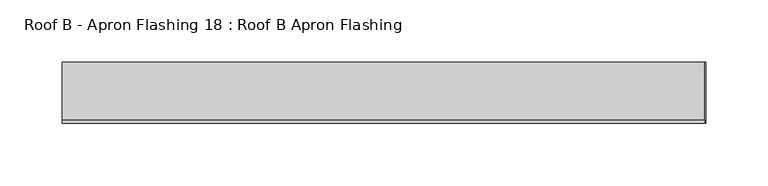
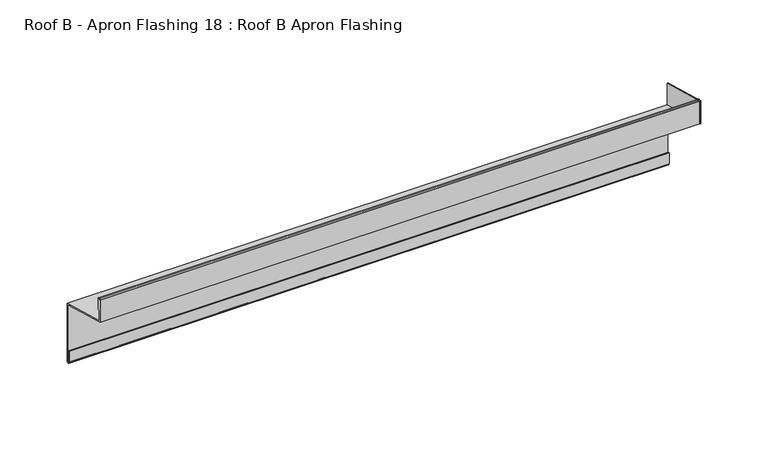
"""IFC4 building model written with IfcOpenShell, lengths in millimetres: proxy geometry, Roof B - Apron Flashing 18 : Roof B Apron Flashing."""

from ifc_helpers import new_model, si_unit, point, frame, frame_2d, origin, place, context, project, spatial, polyline, circle_curve, trimmed, segment, composite_curve, outline, extrude, source, transform, mapped, element, save


def roof_b_apron_flashing_18_roof_b_apron_flashing_9ae60a9b(model_context):
    return source(origin(), model_context, "Body", "SweptSolid", [
        extrude(outline(polyline([(5608.0490096, -973.6339834), (5608.0490096, -953.130654), (5656.8026399, -966.1941499), (5656.8026399, -986.6974792), (5608.0490096, -973.6339834)])), frame((13482.4791786, 0.0, 0.0), z_axis=(1.0, 0.0, 0.0), x_axis=(0.0, 1.0, 0.0)), (0.0, 0.0, 1.0), 0.8428395),
        extrude(outline(composite_curve([segment(polyline([(5656.8026399, -985.662203), (5656.8026399, -1037.6563748)]), True, "CONTINUOUS"), segment(trimmed(circle_curve(frame_2d((5655.3026399, -1037.6563748)), 1.5), [point((5656.8026399, -1037.6563748))], [point((5653.8026399, -1037.6563748))], False, "CARTESIAN"), True, "CONTINUOUS"), segment(polyline([(5653.8026399, -1037.6563748), (5653.8026399, -1027.6933761), (5654.8026399, -1027.6933761), (5654.8026399, -1037.6563748)]), True, "CONTINUOUS"), segment(trimmed(circle_curve(frame_2d((5655.3026399, -1037.6563748)), 0.5), [point((5654.8026399, -1037.6563748))], [point((5655.8026399, -1037.6563748))], True, "CARTESIAN"), True, "CONTINUOUS"), segment(polyline([(5655.8026399, -1037.6563748), (5655.8026399, -986.42953), (5608.0490096, -973.6339834), (5608.0490096, -953.3538686)]), True, "CONTINUOUS"), segment(trimmed(circle_curve(frame_2d((5609.2990096, -953.3538686)), 1.25), [point((5608.0490096, -953.3538686))], [point((5610.5490096, -953.3538686))], False, "CARTESIAN"), True, "CONTINUOUS"), segment(polyline([(5610.5490096, -953.3538686), (5610.5490096, -962.6360034)]), True, "CONTINUOUS"), segment(trimmed(circle_curve(frame_2d((5610.0490096, -962.6360034)), 0.5), [point((5610.5490096, -962.6360034))], [point((5609.5490096, -962.6360034))], False, "CARTESIAN"), True, "CONTINUOUS"), segment(polyline([(5609.5490096, -962.6360034), (5609.5490096, -953.3538686)]), True, "CONTINUOUS"), segment(trimmed(circle_curve(frame_2d((5609.2990096, -953.3538686)), 0.25), [point((5609.5490096, -953.3538686))], [point((5609.0490096, -953.3538686))], True, "CARTESIAN"), True, "CONTINUOUS"), segment(polyline([(5609.0490096, -953.3538686), (5609.0490096, -972.8666564), (5656.8026399, -985.662203)]), True, "CONTINUOUS")], self_intersect=False)), frame((12967.4791786, 0.0, 0.0), z_axis=(1.0, 0.0, 0.0), x_axis=(0.0, 1.0, 0.0)), (0.0, 0.0, 1.0), 515.0),
    ])


if __name__ == "__main__":
    model = new_model("IFC4")
    model_context = context("Model", 3, world=origin())
    ifc_project = project(units=[si_unit("LENGTHUNIT", "METRE", prefix="MILLI")], contexts=[model_context])
    site = spatial("IfcSite", under=ifc_project)
    building = spatial("IfcBuilding", under=site)
    placement = place(None, origin())
    roof_b_apron_flashing_18_roof_b_apron_flashing_shape = roof_b_apron_flashing_18_roof_b_apron_flashing_9ae60a9b(model_context)
    element("IfcBuildingElementProxy", 1, Name="Roof B - Apron Flashing 18 : Roof B Apron Flashing", ObjectType="Roof B - Apron Flashing 18 : Roof B Apron Flashing", at=placement, inside=building, context=model_context, shape_type="MappedRepresentation", body=[
        mapped(roof_b_apron_flashing_18_roof_b_apron_flashing_shape, transform((0.0, 0.0, 0.0), x_axis=(1.0, 0.0, 0.0), y_axis=(0.0, 1.0, 0.0), z_axis=(0.0, 0.0, 1.0))),
    ])
    save(model, "model.ifc")
